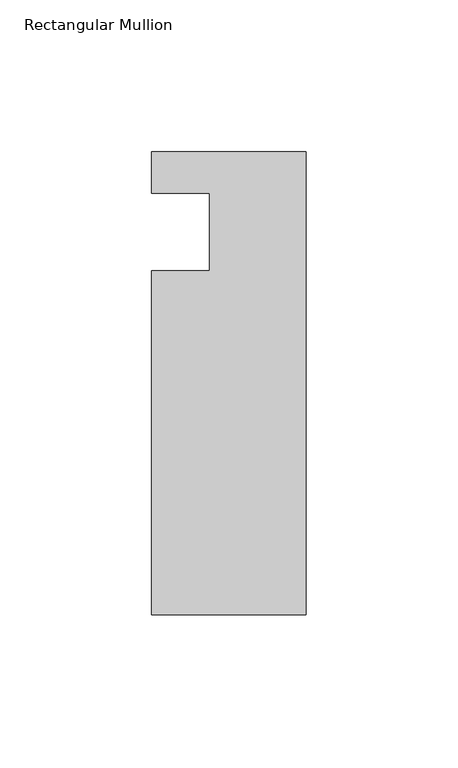
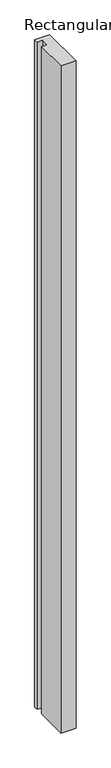
"""IFC4 building model written with IfcOpenShell, lengths in millimetres: member geometry, Rectangular Mullion."""

import ifcopenshell
import ifcopenshell.guid

model = None  # the IFC model being written
_history = None  # IfcOwnerHistory: only IFC2X3 demands one
_inside = {}  # id of a spatial element -> (the spatial element, [elements in it])
_under = {}  # id of a project, library or spatial element -> (it, [spatial elements below it])
_declared = {}  # id of a project -> (the project, [libraries it declares])
_typed = {}  # id of a type object -> (the type object, [elements of that type])
_made_of = {}  # id of a material, layer set ... -> (it, [elements and type objects made of it])


def new_model(schema):
    """Start an empty IFC model of exactly this schema.

    Asked for "IFC4X3", IfcOpenShell would pick the latest addendum, in which some entities
    have other attributes; the version numbers below select the first issue.
    IFC2X3 requires an IfcOwnerHistory on every rooted entity: one is made here for all.
    """
    global model, _history
    if schema == "IFC4X3":
        model = ifcopenshell.file(schema_version=(4, 3, 0, 0))
    else:
        model = ifcopenshell.file(schema=schema)
    _inside.clear()
    _under.clear()
    _declared.clear()
    _typed.clear()
    _made_of.clear()
    _history = None
    if model.schema == "IFC2X3":
        org = make("IfcOrganization", Name="unknown")
        user = make(
            "IfcPersonAndOrganization",
            ThePerson=make("IfcPerson", FamilyName="unknown"),
            TheOrganization=org,
        )
        app = make(
            "IfcApplication",
            ApplicationDeveloper=org,
            Version="unknown",
            ApplicationFullName="unknown",
            ApplicationIdentifier="unknown",
        )
        _history = make(
            "IfcOwnerHistory",
            OwningUser=user,
            OwningApplication=app,
            ChangeAction="ADDED",
            CreationDate=0,
        )
    return model


def make(cls, **values):
    """One entity of the class cls with the attributes given. An attribute that is None is left unset."""
    return model.create_entity(
        cls, **{name: value for name, value in values.items() if value is not None}
    )


def rooted(cls, **values):
    """An entity with a GlobalId (a new one), such as an element, a storey or a relation."""
    return make(cls, GlobalId=ifcopenshell.guid.new(), OwnerHistory=_history, **values)


def si_unit(unit_type, name, prefix=None):
    """IfcSIUnit, for example si_unit("LENGTHUNIT", "METRE", prefix="MILLI")."""
    return make("IfcSIUnit", UnitType=unit_type, Prefix=prefix, Name=name)


def assignment(units):
    """IfcUnitAssignment: the units of a project."""
    return None if units is None else make("IfcUnitAssignment", Units=units)


def point(xyz):
    """IfcCartesianPoint."""
    return None if xyz is None else make("IfcCartesianPoint", Coordinates=xyz)


def direction(xyz):
    """IfcDirection."""
    return None if xyz is None else make("IfcDirection", DirectionRatios=xyz)


def frame(location, z_axis=None, x_axis=None):
    """IfcAxis2Placement3D, a coordinate frame: its origin and axes. An axis left out is left unset."""
    return make(
        "IfcAxis2Placement3D",
        Location=point(location),
        Axis=direction(z_axis),
        RefDirection=direction(x_axis),
    )


def origin():
    """The frame at (0, 0, 0) with its axes left unset."""
    return frame((0.0, 0.0, 0.0))


def place(relative_to, where):
    """IfcLocalPlacement: puts the frame where relative to a parent placement (None: the world)."""
    return make(
        "IfcLocalPlacement", PlacementRelTo=relative_to, RelativePlacement=where
    )


def context(
    kind, dimensions, precision=None, world=None, true_north=None, identifier=None
):
    """IfcGeometricRepresentationContext, for example the 3D "Model" context."""
    return make(
        "IfcGeometricRepresentationContext",
        ContextIdentifier=identifier,
        ContextType=kind,
        CoordinateSpaceDimension=dimensions,
        Precision=precision,
        WorldCoordinateSystem=world,
        TrueNorth=true_north,
    )


def project(units=None, contexts=None):
    """IfcProject with its units and contexts."""
    return rooted(
        "IfcProject",
        Name="project",
        RepresentationContexts=contexts,
        UnitsInContext=assignment(units),
    )


def spatial(cls, under=None, at=None, **own):
    """A site, building, storey or space (cls), placed at a placement, below another one or the project."""
    s = rooted(cls, ObjectPlacement=at, **own)
    if under is not None:
        _under.setdefault(under.id(), (under, []))[1].append(s)
    return s


def polyline(points):
    """IfcPolyline through the points."""
    return make("IfcPolyline", Points=[point(p) for p in points])


def outline(outer, holes=None, kind="AREA"):
    """IfcArbitraryClosedProfileDef: a profile drawn as a closed curve; with holes, ...WithVoids."""
    if holes is None:
        return make("IfcArbitraryClosedProfileDef", ProfileType=kind, OuterCurve=outer)
    return make(
        "IfcArbitraryProfileDefWithVoids",
        ProfileType=kind,
        OuterCurve=outer,
        InnerCurves=holes,
    )


def extrude(swept, where, along, depth):
    """IfcExtrudedAreaSolid: the profile swept, set in the frame where, extruded along a direction by depth."""
    return make(
        "IfcExtrudedAreaSolid",
        SweptArea=swept,
        Position=where,
        ExtrudedDirection=direction(along),
        Depth=depth,
    )


def shape(context_of_items, identifier, shape_type, items):
    """IfcShapeRepresentation: the items that make up one representation, for example the "Body"."""
    return make(
        "IfcShapeRepresentation",
        ContextOfItems=context_of_items,
        RepresentationIdentifier=identifier,
        RepresentationType=shape_type,
        Items=items,
    )


def source(mapping_origin, context_of_items, identifier, shape_type, items):
    """IfcRepresentationMap: a shape defined once, which mapped items show again and again."""
    return make(
        "IfcRepresentationMap",
        MappingOrigin=mapping_origin,
        MappedRepresentation=shape(context_of_items, identifier, shape_type, items),
    )


def transform(
    local_origin,
    x_axis=None,
    y_axis=None,
    z_axis=None,
    scale=None,
    scale2=None,
    scale3=None,
    uniform=True,
):
    """IfcCartesianTransformationOperator3D, or its non-uniform kind. x_axis, y_axis, z_axis: its Axis1, 2, 3."""
    if uniform:
        return make(
            "IfcCartesianTransformationOperator3D",
            Axis1=direction(x_axis),
            Axis2=direction(y_axis),
            LocalOrigin=point(local_origin),
            Scale=scale,
            Axis3=direction(z_axis),
        )
    return make(
        "IfcCartesianTransformationOperator3DnonUniform",
        Axis1=direction(x_axis),
        Axis2=direction(y_axis),
        LocalOrigin=point(local_origin),
        Scale=scale,
        Axis3=direction(z_axis),
        Scale2=scale2,
        Scale3=scale3,
    )


def mapped(mapping_source, mapping_target):
    """IfcMappedItem: shows the shape of a source again, moved by a transform."""
    return make(
        "IfcMappedItem", MappingSource=mapping_source, MappingTarget=mapping_target
    )


def made_of(thing, what):
    """Note that an element or type object is made of a material, layer set ...; save() writes the relation."""
    if what is not None:
        _made_of.setdefault(what.id(), (what, []))[1].append(thing)
    return thing


def element(
    cls,
    number,
    at=None,
    inside=None,
    cuts=None,
    type_object=None,
    material=None,
    context=None,
    identifier="Body",
    shape_type=None,
    held_by="IfcProductDefinitionShape",
    body=None,
    shapes=None,
    **own,
):
    """One element of the class cls, such as IfcWall. Its Tag is "e" and its number.

    at: its placement. inside: the storey or other place that contains it. cuts: it is an
    opening in that element (IfcRelVoidsElement). A single representation is given by context,
    identifier, shape_type and body (its items); several are given by shapes. held_by: the class
    of the entity that holds the representations. save() writes the other relations.
    """
    e = rooted(cls, Tag="e%d" % number, ObjectPlacement=at, **own)
    if body is not None:
        shapes = [shape(context, identifier, shape_type, body)]
    if shapes is not None:
        e.Representation = make(held_by, Representations=shapes)
    if inside is not None:
        _inside.setdefault(inside.id(), (inside, []))[1].append(e)
    if cuts is not None:
        rooted(
            "IfcRelVoidsElement", RelatingBuildingElement=cuts, RelatedOpeningElement=e
        )
    if type_object is not None:
        _typed.setdefault(type_object.id(), (type_object, []))[1].append(e)
    return made_of(e, material)


def aggregate(whole, parts):
    """IfcRelAggregates: a whole, such as a stair, and the parts it consists of."""
    return rooted("IfcRelAggregates", RelatingObject=whole, RelatedObjects=parts)


def save(model, path):
    """Write the relations noted so far, then the file.

    IfcRelAggregates (storeys below a building ...), IfcRelContainedInSpatialStructure (elements
    in a storey), IfcRelDefinesByType, IfcRelAssociatesMaterial and IfcRelDeclares: one each for
    every whole, place, type object, material and project.
    """
    for whole, parts in _under.values():
        aggregate(whole, parts)
    for where, things in _inside.values():
        rooted(
            "IfcRelContainedInSpatialStructure",
            RelatedElements=things,
            RelatingStructure=where,
        )
    for kind, things in _typed.values():
        rooted("IfcRelDefinesByType", RelatedObjects=things, RelatingType=kind)
    for what, things in _made_of.values():
        rooted("IfcRelAssociatesMaterial", RelatedObjects=things, RelatingMaterial=what)
    for by, libraries in _declared.values():
        rooted("IfcRelDeclares", RelatingContext=by, RelatedDefinitions=libraries)
    model.write(path)


def rectangular_mullion_5ea0eb12(model_context):
    return source(origin(), model_context, "Body", "SweptSolid", [
        extrude(outline(polyline([(0.0, 13.672693), (0.0, -138.727307), (-50.8, -138.727307), (-50.8, -25.4), (-31.75, -25.4), (-31.75, 0.0), (-50.8, 0.0), (-50.8, 13.672693), (0.0, 13.672693)])), frame((0.0, 0.0, -2374.9), z_axis=(0.0, 0.0, 1.0), x_axis=(1.0, 0.0, 0.0)), (0.0, 0.0, 1.0), 2374.9),
    ])


if __name__ == "__main__":
    model = new_model("IFC4")
    model_context = context("Model", 3, world=origin())
    ifc_project = project(units=[si_unit("LENGTHUNIT", "METRE", prefix="MILLI")], contexts=[model_context])
    site = spatial("IfcSite", under=ifc_project)
    building = spatial("IfcBuilding", under=site)
    placement = place(None, origin())
    rectangular_mullion_shape = rectangular_mullion_5ea0eb12(model_context)
    element("IfcMember", 1, ObjectType="Rectangular Mullion", at=placement, inside=building, context=model_context, shape_type="MappedRepresentation", body=[
        mapped(rectangular_mullion_shape, transform((0.0, 0.0, 0.0), x_axis=(1.0, 0.0, 0.0), y_axis=(0.0, 1.0, 0.0), z_axis=(0.0, 0.0, 1.0))),
    ])
    save(model, "model.ifc")
